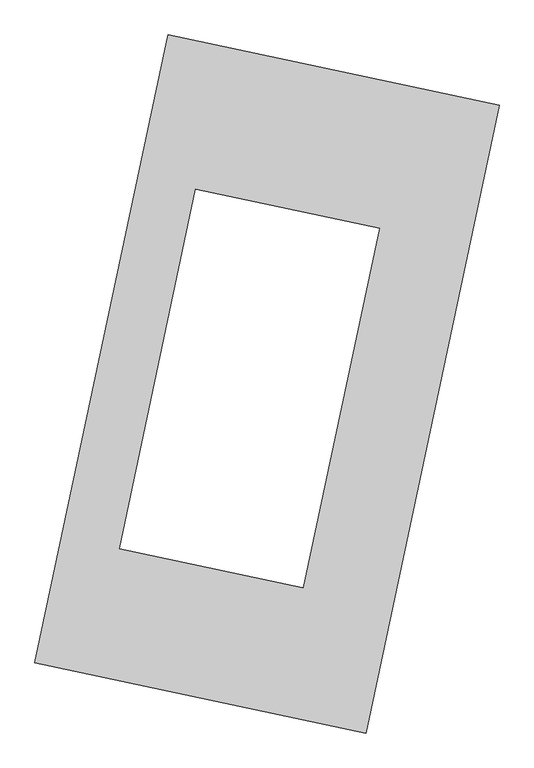
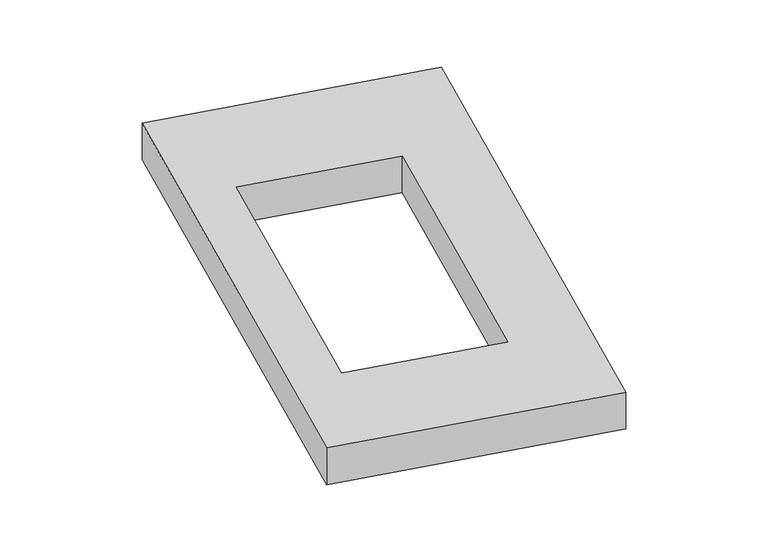
"""IFC4 building model written with IfcOpenShell, lengths in millimetres: proxy geometry."""

from ifc_helpers import new_model, si_unit, origin, origin_with_axes, place, context, project, spatial, polyline, outline, extrude, source, transform, mapped, element, save


def generic_models_efec2f9f(model_context):
    return source(origin(), model_context, "Body", "SweptSolid", [
        extrude(outline(polyline([(-617.3692021, 2175.5580432), (1447.7508745, 1737.3010494), (617.3692021, -2175.5580432), (-1447.7508745, -1737.3010494), (-617.3692021, 2175.5580432)]), holes=[polyline([(700.8690286, 969.8413989), (-444.2257685, 1212.8518703), (-919.7255788, -1027.7608719), (225.3692184, -1270.7713434), (700.8690286, 969.8413989)])]), origin_with_axes(), (0.0, 0.0, 1.0), 300.0),
    ])


if __name__ == "__main__":
    model = new_model("IFC4")
    model_context = context("Model", 3, world=origin())
    ifc_project = project(units=[si_unit("LENGTHUNIT", "METRE", prefix="MILLI")], contexts=[model_context])
    site = spatial("IfcSite", under=ifc_project)
    building = spatial("IfcBuilding", under=site)
    placement = place(None, origin())
    generic_models_shape = generic_models_efec2f9f(model_context)
    element("IfcBuildingElementProxy", 1, Name="Generic Models", at=placement, inside=building, context=model_context, shape_type="MappedRepresentation", body=[
        mapped(generic_models_shape, transform((0.0, 0.0, 0.0), x_axis=(1.0, 0.0, 0.0), y_axis=(0.0, 1.0, 0.0), z_axis=(0.0, 0.0, 1.0))),
    ])
    save(model, "model.ifc")
